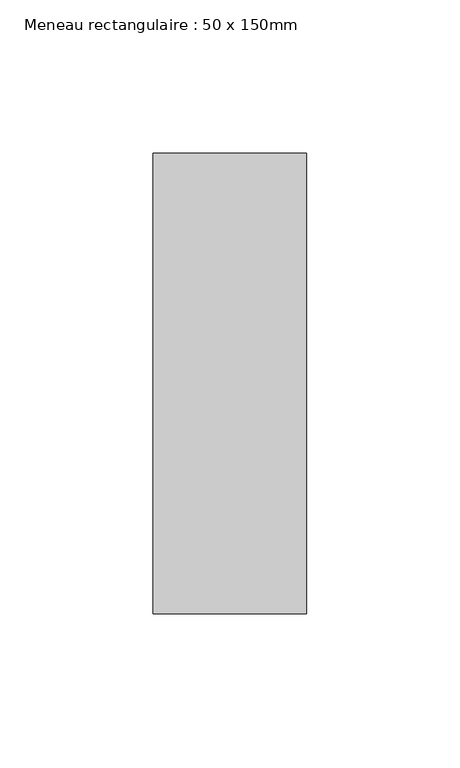
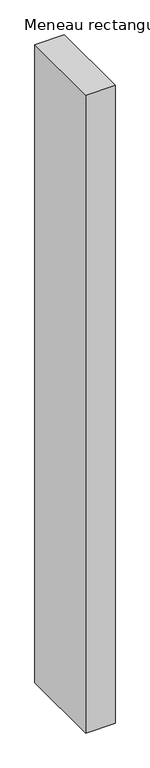
"""IFC4 building model written with IfcOpenShell, lengths in millimetres: member geometry, Meneau rectangulaire : 50 x 150mm."""

from ifc_helpers import new_model, si_unit, frame, origin, place, context, project, spatial, polyline, outline, extrude, source, transform, mapped, element, save


def meneau_rectangulaire_50_x_150mm_1f43e835(model_context):
    return source(origin(), model_context, "Body", "SweptSolid", [
        extrude(outline(polyline([(0.0, 75.0), (0.0, -75.0), (-50.0, -75.0), (-50.0, 75.0), (0.0, 75.0)])), frame((0.0, 0.0, -1150.0180001), z_axis=(0.0, 0.0, 1.0), x_axis=(1.0, 0.0, 0.0)), (0.0, 0.0, 1.0), 1150.0180001),
    ])


if __name__ == "__main__":
    model = new_model("IFC4")
    model_context = context("Model", 3, world=origin())
    ifc_project = project(units=[si_unit("LENGTHUNIT", "METRE", prefix="MILLI")], contexts=[model_context])
    site = spatial("IfcSite", under=ifc_project)
    building = spatial("IfcBuilding", under=site)
    placement = place(None, origin())
    meneau_rectangulaire_50_x_150mm_shape = meneau_rectangulaire_50_x_150mm_1f43e835(model_context)
    element("IfcMember", 1, ObjectType="Meneau rectangulaire : 50 x 150mm", at=placement, inside=building, context=model_context, shape_type="MappedRepresentation", body=[
        mapped(meneau_rectangulaire_50_x_150mm_shape, transform((0.0, 0.0, 0.0), x_axis=(1.0, 0.0, 0.0), y_axis=(0.0, 1.0, 0.0), z_axis=(0.0, 0.0, 1.0))),
    ])
    save(model, "model.ifc")
